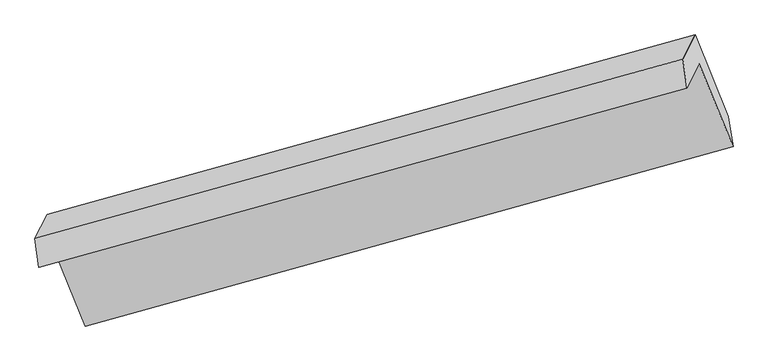
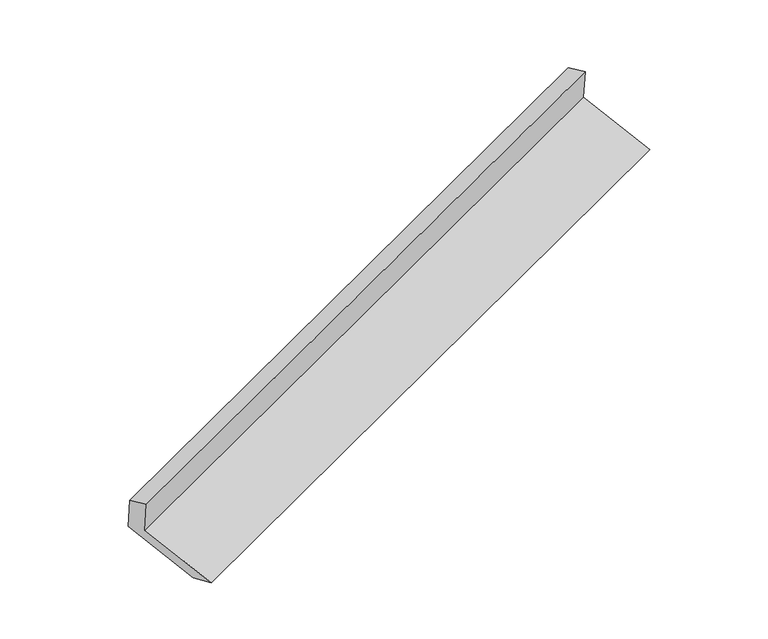
"""IFC4 building model written with IfcOpenShell, lengths in millimetres: proxy geometry."""

import ifcopenshell
import ifcopenshell.guid

model = None  # the IFC model being written
_history = None  # IfcOwnerHistory: only IFC2X3 demands one
_inside = {}  # id of a spatial element -> (the spatial element, [elements in it])
_under = {}  # id of a project, library or spatial element -> (it, [spatial elements below it])
_declared = {}  # id of a project -> (the project, [libraries it declares])
_typed = {}  # id of a type object -> (the type object, [elements of that type])
_made_of = {}  # id of a material, layer set ... -> (it, [elements and type objects made of it])


def new_model(schema):
    """Start an empty IFC model of exactly this schema.

    Asked for "IFC4X3", IfcOpenShell would pick the latest addendum, in which some entities
    have other attributes; the version numbers below select the first issue.
    IFC2X3 requires an IfcOwnerHistory on every rooted entity: one is made here for all.
    """
    global model, _history
    if schema == "IFC4X3":
        model = ifcopenshell.file(schema_version=(4, 3, 0, 0))
    else:
        model = ifcopenshell.file(schema=schema)
    _inside.clear()
    _under.clear()
    _declared.clear()
    _typed.clear()
    _made_of.clear()
    _history = None
    if model.schema == "IFC2X3":
        org = make("IfcOrganization", Name="unknown")
        user = make(
            "IfcPersonAndOrganization",
            ThePerson=make("IfcPerson", FamilyName="unknown"),
            TheOrganization=org,
        )
        app = make(
            "IfcApplication",
            ApplicationDeveloper=org,
            Version="unknown",
            ApplicationFullName="unknown",
            ApplicationIdentifier="unknown",
        )
        _history = make(
            "IfcOwnerHistory",
            OwningUser=user,
            OwningApplication=app,
            ChangeAction="ADDED",
            CreationDate=0,
        )
    return model


def make(cls, **values):
    """One entity of the class cls with the attributes given. An attribute that is None is left unset."""
    return model.create_entity(
        cls, **{name: value for name, value in values.items() if value is not None}
    )


def rooted(cls, **values):
    """An entity with a GlobalId (a new one), such as an element, a storey or a relation."""
    return make(cls, GlobalId=ifcopenshell.guid.new(), OwnerHistory=_history, **values)


def si_unit(unit_type, name, prefix=None):
    """IfcSIUnit, for example si_unit("LENGTHUNIT", "METRE", prefix="MILLI")."""
    return make("IfcSIUnit", UnitType=unit_type, Prefix=prefix, Name=name)


def assignment(units):
    """IfcUnitAssignment: the units of a project."""
    return None if units is None else make("IfcUnitAssignment", Units=units)


def point(xyz):
    """IfcCartesianPoint."""
    return None if xyz is None else make("IfcCartesianPoint", Coordinates=xyz)


def direction(xyz):
    """IfcDirection."""
    return None if xyz is None else make("IfcDirection", DirectionRatios=xyz)


def frame(location, z_axis=None, x_axis=None):
    """IfcAxis2Placement3D, a coordinate frame: its origin and axes. An axis left out is left unset."""
    return make(
        "IfcAxis2Placement3D",
        Location=point(location),
        Axis=direction(z_axis),
        RefDirection=direction(x_axis),
    )


def origin():
    """The frame at (0, 0, 0) with its axes left unset."""
    return frame((0.0, 0.0, 0.0))


def place(relative_to, where):
    """IfcLocalPlacement: puts the frame where relative to a parent placement (None: the world)."""
    return make(
        "IfcLocalPlacement", PlacementRelTo=relative_to, RelativePlacement=where
    )


def context(
    kind, dimensions, precision=None, world=None, true_north=None, identifier=None
):
    """IfcGeometricRepresentationContext, for example the 3D "Model" context."""
    return make(
        "IfcGeometricRepresentationContext",
        ContextIdentifier=identifier,
        ContextType=kind,
        CoordinateSpaceDimension=dimensions,
        Precision=precision,
        WorldCoordinateSystem=world,
        TrueNorth=true_north,
    )


def project(units=None, contexts=None):
    """IfcProject with its units and contexts."""
    return rooted(
        "IfcProject",
        Name="project",
        RepresentationContexts=contexts,
        UnitsInContext=assignment(units),
    )


def spatial(cls, under=None, at=None, **own):
    """A site, building, storey or space (cls), placed at a placement, below another one or the project."""
    s = rooted(cls, ObjectPlacement=at, **own)
    if under is not None:
        _under.setdefault(under.id(), (under, []))[1].append(s)
    return s


def polyline(points):
    """IfcPolyline through the points."""
    return make("IfcPolyline", Points=[point(p) for p in points])


def outline(outer, holes=None, kind="AREA"):
    """IfcArbitraryClosedProfileDef: a profile drawn as a closed curve; with holes, ...WithVoids."""
    if holes is None:
        return make("IfcArbitraryClosedProfileDef", ProfileType=kind, OuterCurve=outer)
    return make(
        "IfcArbitraryProfileDefWithVoids",
        ProfileType=kind,
        OuterCurve=outer,
        InnerCurves=holes,
    )


def extrude(swept, where, along, depth):
    """IfcExtrudedAreaSolid: the profile swept, set in the frame where, extruded along a direction by depth."""
    return make(
        "IfcExtrudedAreaSolid",
        SweptArea=swept,
        Position=where,
        ExtrudedDirection=direction(along),
        Depth=depth,
    )


def shape(context_of_items, identifier, shape_type, items):
    """IfcShapeRepresentation: the items that make up one representation, for example the "Body"."""
    return make(
        "IfcShapeRepresentation",
        ContextOfItems=context_of_items,
        RepresentationIdentifier=identifier,
        RepresentationType=shape_type,
        Items=items,
    )


def source(mapping_origin, context_of_items, identifier, shape_type, items):
    """IfcRepresentationMap: a shape defined once, which mapped items show again and again."""
    return make(
        "IfcRepresentationMap",
        MappingOrigin=mapping_origin,
        MappedRepresentation=shape(context_of_items, identifier, shape_type, items),
    )


def transform(
    local_origin,
    x_axis=None,
    y_axis=None,
    z_axis=None,
    scale=None,
    scale2=None,
    scale3=None,
    uniform=True,
):
    """IfcCartesianTransformationOperator3D, or its non-uniform kind. x_axis, y_axis, z_axis: its Axis1, 2, 3."""
    if uniform:
        return make(
            "IfcCartesianTransformationOperator3D",
            Axis1=direction(x_axis),
            Axis2=direction(y_axis),
            LocalOrigin=point(local_origin),
            Scale=scale,
            Axis3=direction(z_axis),
        )
    return make(
        "IfcCartesianTransformationOperator3DnonUniform",
        Axis1=direction(x_axis),
        Axis2=direction(y_axis),
        LocalOrigin=point(local_origin),
        Scale=scale,
        Axis3=direction(z_axis),
        Scale2=scale2,
        Scale3=scale3,
    )


def mapped(mapping_source, mapping_target):
    """IfcMappedItem: shows the shape of a source again, moved by a transform."""
    return make(
        "IfcMappedItem", MappingSource=mapping_source, MappingTarget=mapping_target
    )


def made_of(thing, what):
    """Note that an element or type object is made of a material, layer set ...; save() writes the relation."""
    if what is not None:
        _made_of.setdefault(what.id(), (what, []))[1].append(thing)
    return thing


def element(
    cls,
    number,
    at=None,
    inside=None,
    cuts=None,
    type_object=None,
    material=None,
    context=None,
    identifier="Body",
    shape_type=None,
    held_by="IfcProductDefinitionShape",
    body=None,
    shapes=None,
    **own,
):
    """One element of the class cls, such as IfcWall. Its Tag is "e" and its number.

    at: its placement. inside: the storey or other place that contains it. cuts: it is an
    opening in that element (IfcRelVoidsElement). A single representation is given by context,
    identifier, shape_type and body (its items); several are given by shapes. held_by: the class
    of the entity that holds the representations. save() writes the other relations.
    """
    e = rooted(cls, Tag="e%d" % number, ObjectPlacement=at, **own)
    if body is not None:
        shapes = [shape(context, identifier, shape_type, body)]
    if shapes is not None:
        e.Representation = make(held_by, Representations=shapes)
    if inside is not None:
        _inside.setdefault(inside.id(), (inside, []))[1].append(e)
    if cuts is not None:
        rooted(
            "IfcRelVoidsElement", RelatingBuildingElement=cuts, RelatedOpeningElement=e
        )
    if type_object is not None:
        _typed.setdefault(type_object.id(), (type_object, []))[1].append(e)
    return made_of(e, material)


def aggregate(whole, parts):
    """IfcRelAggregates: a whole, such as a stair, and the parts it consists of."""
    return rooted("IfcRelAggregates", RelatingObject=whole, RelatedObjects=parts)


def save(model, path):
    """Write the relations noted so far, then the file.

    IfcRelAggregates (storeys below a building ...), IfcRelContainedInSpatialStructure (elements
    in a storey), IfcRelDefinesByType, IfcRelAssociatesMaterial and IfcRelDeclares: one each for
    every whole, place, type object, material and project.
    """
    for whole, parts in _under.values():
        aggregate(whole, parts)
    for where, things in _inside.values():
        rooted(
            "IfcRelContainedInSpatialStructure",
            RelatedElements=things,
            RelatingStructure=where,
        )
    for kind, things in _typed.values():
        rooted("IfcRelDefinesByType", RelatedObjects=things, RelatingType=kind)
    for what, things in _made_of.values():
        rooted("IfcRelAssociatesMaterial", RelatedObjects=things, RelatingMaterial=what)
    for by, libraries in _declared.values():
        rooted("IfcRelDeclares", RelatingContext=by, RelatedDefinitions=libraries)
    model.write(path)


def generic_models_3eabc47d(model_context):
    return source(origin(), model_context, "Body", "SweptSolid", [
        extrude(outline(polyline([(-66.6975716, -139.6284195), (352.3605862, -139.6284195), (206.3836241, -303.8236468), (-212.6745336, -303.8236468), (-212.6745336, 356.3544526), (-66.6975715, 530.54968), (-66.6975716, -139.6284195)])), frame((-5151.7234739, -2140.8680377, 1105.1038834), z_axis=(0.910722711720299, 0.2525177615577925, 0.32683164237060547), x_axis=(-0.20518676644377334, -0.4101406230813199, 0.8886411312643677)), (0.0, 0.0, 1.0), 5030.5195664),
    ])


if __name__ == "__main__":
    model = new_model("IFC4")
    model_context = context("Model", 3, world=origin())
    ifc_project = project(units=[si_unit("LENGTHUNIT", "METRE", prefix="MILLI")], contexts=[model_context])
    site = spatial("IfcSite", under=ifc_project)
    building = spatial("IfcBuilding", under=site)
    placement = place(None, origin())
    generic_models_shape = generic_models_3eabc47d(model_context)
    element("IfcBuildingElementProxy", 1, Name="Generic Models", at=placement, inside=building, context=model_context, shape_type="MappedRepresentation", body=[
        mapped(generic_models_shape, transform((0.0, 0.0, 0.0), x_axis=(1.0, 0.0, 0.0), y_axis=(0.0, 1.0, 0.0), z_axis=(0.0, 0.0, 1.0))),
    ])
    save(model, "model.ifc")
